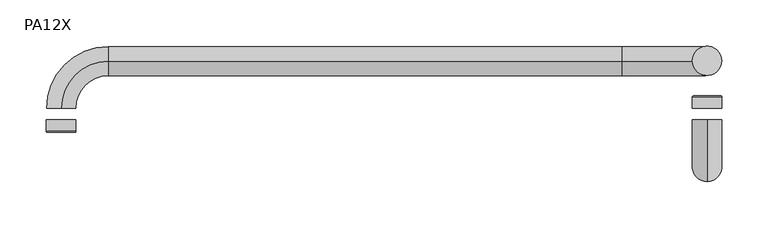
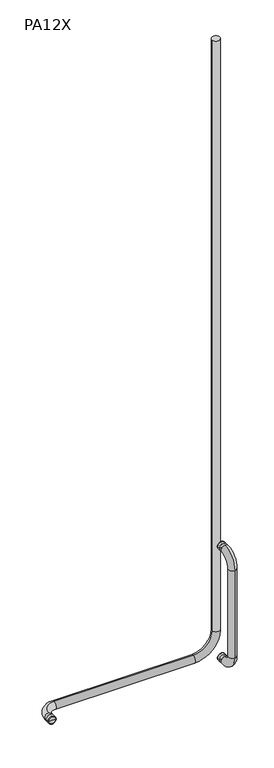
"""IFC4 building model written with IfcOpenShell, lengths in millimetres: proxy geometry, PA12X."""

from ifc_helpers import new_model, si_unit, point, frame, origin, place, context, project, spatial, circle_curve, ellipse_curve, trimmed, source, transform, mapped, element, save
from ifc_brep_helpers import plane_surface, cylinder_surface, revolved_surface, advanced_brep


def pa12x_918a8595(model_context):
    return source(origin(), model_context, "Body", "AdvancedBrep", [
        advanced_brep(
        [(365.125, 6.35, 1536.7), (333.375, 6.35, 1536.7), (333.375, 18.3134, 1536.7), (365.125, 18.3134, 1536.7), (349.25, 6.35, 1536.7), (363.601, 19.8374, 1536.7), (334.899, 19.8374, 1536.7), (349.25, 19.8374, 1536.7)],
        [
            (0, 1, circle_curve(frame((349.25, 6.35, 1536.7), z_axis=(0.0, 1.0, 0.0), x_axis=(-1.0, 0.0, 0.0)), 15.875)),
            (1, 2),
            (2, 3, circle_curve(frame((349.25, 18.3134, 1536.7), z_axis=(0.0, -1.0, 0.0), x_axis=(-1.0, 0.0, 0.0)), 15.875)),
            (3, 0),
            (1, 0, circle_curve(frame((349.25, 6.35, 1536.7), z_axis=(0.0, 1.0, 0.0), x_axis=(-1.0, 0.0, 0.0)), 15.875)),
            (3, 2, circle_curve(frame((349.25, 18.3134, 1536.7), z_axis=(0.0, -1.0, 0.0), x_axis=(-1.0, 0.0, 0.0)), 15.875)),
            (4, 1),
            (0, 4),
            (5, 6, circle_curve(frame((349.25, 19.8374, 1536.7), z_axis=(0.0, 1.0, 0.0), x_axis=(-1.0, 0.0, 0.0)), 14.351)),
            (6, 7),
            (7, 5),
            (6, 5, circle_curve(frame((349.25, 19.8374, 1536.7), z_axis=(0.0, 1.0, 0.0), x_axis=(-1.0, 0.0, 0.0)), 14.351)),
            (2, 6, circle_curve(frame((334.899, 18.3134, 1536.7), z_axis=(0.0, 0.0, -1.0), x_axis=(0.0, 1.0, 0.0)), 1.524)),
            (5, 3, circle_curve(frame((363.601, 18.3134, 1536.7), z_axis=(0.0, 0.0, -1.0), x_axis=(0.0, 1.0, 0.0)), 1.524)),
        ],
        [
            cylinder_surface(frame((349.25, -626.9065276, 1536.7), z_axis=(0.0, -1.0, 0.0), x_axis=(-1.0, 0.0, 0.0)), 15.875),
            plane_surface(frame((349.25, 6.35, 1536.7), z_axis=(0.0, -1.0, 0.0), x_axis=(-1.0, 0.0, 0.0))),
            plane_surface(frame((349.25, 19.8374, 1536.7), z_axis=(0.0, 1.0, 0.0), x_axis=(-1.0, 0.0, 0.0))),
            revolved_surface(trimmed(ellipse_curve(frame((334.899, 18.3134, 1536.7), z_axis=(0.0, 0.0, 1.0), x_axis=(0.0, 1.0, 0.0)), 1.524, 1.524), [point((334.899, 19.8374, 1536.7))], [point((333.375, 18.3134, 1536.7))], True, "CARTESIAN"), (349.25, -626.9065276, 1536.7), (0.0, -1.0, 0.0)),
        ],
        [
            (0, [[1, 2, 3, 4]]),
            (0, [[5, -4, 6, -2]]),
            (1, [[7, -1, 8]]),
            (1, [[-8, -5, -7]]),
            (2, [[9, 10, 11]]),
            (2, [[12, -11, -10]]),
            (3, [[-3, 13, -9, 14]]),
            (3, [[-6, -14, -12, -13]]),
        ],
    ),
        advanced_brep(
        [(365.125, 6.35, 1066.8), (333.375, 6.35, 1066.8), (333.375, 18.3134, 1066.8), (365.125, 18.3134, 1066.8), (349.25, 6.35, 1066.8), (363.601, 19.8374, 1066.8), (334.899, 19.8374, 1066.8), (349.25, 19.8374, 1066.8)],
        [
            (0, 1, circle_curve(frame((349.25, 6.35, 1066.8), z_axis=(0.0, 1.0, 0.0), x_axis=(-1.0, 0.0, 0.0)), 15.875)),
            (1, 2),
            (2, 3, circle_curve(frame((349.25, 18.3134, 1066.8), z_axis=(0.0, -1.0, 0.0), x_axis=(-1.0, 0.0, 0.0)), 15.875)),
            (3, 0),
            (1, 0, circle_curve(frame((349.25, 6.35, 1066.8), z_axis=(0.0, 1.0, 0.0), x_axis=(-1.0, 0.0, 0.0)), 15.875)),
            (3, 2, circle_curve(frame((349.25, 18.3134, 1066.8), z_axis=(0.0, -1.0, 0.0), x_axis=(-1.0, 0.0, 0.0)), 15.875)),
            (4, 1),
            (0, 4),
            (5, 6, circle_curve(frame((349.25, 19.8374, 1066.8), z_axis=(0.0, 1.0, 0.0), x_axis=(-1.0, 0.0, 0.0)), 14.351)),
            (6, 7),
            (7, 5),
            (6, 5, circle_curve(frame((349.25, 19.8374, 1066.8), z_axis=(0.0, 1.0, 0.0), x_axis=(-1.0, 0.0, 0.0)), 14.351)),
            (2, 6, circle_curve(frame((334.899, 18.3134, 1066.8), z_axis=(0.0, 0.0, -1.0), x_axis=(-1.0, 0.0, 0.0)), 1.524)),
            (5, 3, circle_curve(frame((363.601, 18.3134, 1066.8), z_axis=(0.0, 0.0, -1.0), x_axis=(1.0, 0.0, 0.0)), 1.524)),
        ],
        [
            cylinder_surface(frame((349.25, -626.9065276, 1066.8), z_axis=(0.0, -1.0, 0.0), x_axis=(-1.0, 0.0, 0.0)), 15.875),
            plane_surface(frame((349.25, 6.35, 1066.8), z_axis=(0.0, -1.0, 0.0), x_axis=(-1.0, 0.0, 0.0))),
            plane_surface(frame((349.25, 19.8374, 1066.8), z_axis=(0.0, 1.0, 0.0), x_axis=(-1.0, 0.0, 0.0))),
            revolved_surface(trimmed(ellipse_curve(frame((334.899, 18.3134, 1066.8), z_axis=(0.0, 0.0, 1.0), x_axis=(-1.0, 0.0, 0.0)), 1.524, 1.524), [point((334.899, 19.8374, 1066.8))], [point((333.375, 18.3134, 1066.8))], True, "CARTESIAN"), (349.25, -626.9065276, 1066.8), (0.0, -1.0, 0.0)),
        ],
        [
            (0, [[1, 2, 3, 4]]),
            (0, [[5, -4, 6, -2]]),
            (1, [[7, -1, 8]]),
            (1, [[-8, -5, -7]]),
            (2, [[9, 10, 11]]),
            (2, [[12, -11, -10]]),
            (3, [[-3, 13, -9, 14]]),
            (3, [[-6, -14, -12, -13]]),
        ],
    ),
        advanced_brep(
        [(-334.6894925, -19.8374, 1066.8), (-363.8105075, -19.8374, 1066.8), (-365.3345075, -18.3134, 1066.8), (-333.1654925, -18.3134, 1066.8), (-349.25, -19.8374, 1066.8), (-333.1654925, -6.35, 1066.8), (-365.3345075, -6.35, 1066.8), (-349.25, -6.35, 1066.8)],
        [
            (0, 1, circle_curve(frame((-349.25, -19.8374, 1066.8), z_axis=(0.0, 1.0, 0.0), x_axis=(-1.0, 0.0, 0.0)), 14.5605075)),
            (1, 2, circle_curve(frame((-363.8105075, -18.3134, 1066.8), z_axis=(0.0, 0.0, -1.0), x_axis=(-1.0, 0.0, 0.0)), 1.524)),
            (2, 3, circle_curve(frame((-349.25, -18.3134, 1066.8), z_axis=(0.0, -1.0, 0.0), x_axis=(-1.0, 0.0, 0.0)), 16.0845075)),
            (3, 0, circle_curve(frame((-334.6894925, -18.3134, 1066.8), z_axis=(0.0, 0.0, -1.0), x_axis=(1.0, 0.0, 0.0)), 1.524)),
            (1, 0, circle_curve(frame((-349.25, -19.8374, 1066.8), z_axis=(0.0, 1.0, 0.0), x_axis=(-1.0, 0.0, 0.0)), 14.5605075)),
            (3, 2, circle_curve(frame((-349.25, -18.3134, 1066.8), z_axis=(0.0, -1.0, 0.0), x_axis=(-1.0, 0.0, 0.0)), 16.0845075)),
            (4, 1),
            (0, 4),
            (5, 6, circle_curve(frame((-349.25, -6.35, 1066.8), z_axis=(0.0, 1.0, 0.0), x_axis=(-1.0, 0.0, 0.0)), 16.0845075)),
            (6, 7),
            (7, 5),
            (6, 5, circle_curve(frame((-349.25, -6.35, 1066.8), z_axis=(0.0, 1.0, 0.0), x_axis=(-1.0, 0.0, 0.0)), 16.0845075)),
            (2, 6),
            (5, 3),
        ],
        [
            revolved_surface(trimmed(ellipse_curve(frame((-363.8105075, -18.3134, 1066.8), z_axis=(0.0, 0.0, 1.0), x_axis=(-1.0, 0.0, 0.0)), 1.524, 1.524), [point((-365.3345075, -18.3134, 1066.8))], [point((-363.8105075, -19.8374, 1066.8))], True, "CARTESIAN"), (-349.25, 617.3332074, 1066.8), (0.0, -1.0, 0.0)),
            plane_surface(frame((-349.25, -19.8374, 1066.8), z_axis=(0.0, -1.0, 0.0), x_axis=(-1.0, 0.0, 0.0))),
            plane_surface(frame((-349.25, -6.35, 1066.8), z_axis=(0.0, 1.0, 0.0), x_axis=(-1.0, 0.0, 0.0))),
            cylinder_surface(frame((-349.25, 617.3332074, 1066.8), z_axis=(0.0, -1.0, 0.0), x_axis=(-1.0, 0.0, 0.0)), 16.0845075),
        ],
        [
            (0, [[1, 2, 3, 4]]),
            (0, [[5, -4, 6, -2]]),
            (1, [[7, -1, 8]]),
            (1, [[-8, -5, -7]]),
            (2, [[9, 10, 11]]),
            (2, [[12, -11, -10]]),
            (3, [[-3, 13, -9, 14]]),
            (3, [[-6, -14, -12, -13]]),
        ],
    ),
        advanced_brep(
        [(349.25, -6.35, 1520.825), (349.25, -6.35, 1552.575), (349.25, -73.025, 1485.9), (349.25, -41.275, 1485.9), (349.25, -41.275, 1117.6), (349.25, -73.025, 1117.6), (349.25, -6.35, 1082.675), (349.25, -6.35, 1050.925)],
        [
            (0, 1, circle_curve(frame((349.25, -6.35, 1536.7), z_axis=(0.0, 1.0, 0.0), x_axis=(0.0, 0.0, 1.0)), 15.875)),
            (1, 0, circle_curve(frame((349.25, -6.35, 1536.7), z_axis=(0.0, 1.0, 0.0), x_axis=(0.0, 0.0, 1.0)), 15.875)),
            (2, 1, circle_curve(frame((349.25, -6.35, 1485.9), z_axis=(-1.0, 0.0, 0.0), x_axis=(0.0, 0.0, 1.0)), 66.675)),
            (0, 3, circle_curve(frame((349.25, -6.35, 1485.9), z_axis=(1.0, 0.0, 0.0), x_axis=(0.0, 0.0, 1.0)), 34.925)),
            (3, 2, circle_curve(frame((349.25, -57.15, 1485.9), z_axis=(0.0, 0.0, 1.0), x_axis=(0.0, -1.0, 0.0)), 15.875)),
            (2, 3, circle_curve(frame((349.25, -57.15, 1485.9), z_axis=(0.0, 0.0, 1.0), x_axis=(0.0, -1.0, 0.0)), 15.875)),
            (3, 4),
            (4, 5, circle_curve(frame((349.25, -57.15, 1117.6), z_axis=(0.0, 0.0, 1.0), x_axis=(0.0, -1.0, 0.0)), 15.875)),
            (5, 2),
            (5, 4, circle_curve(frame((349.25, -57.15, 1117.6), z_axis=(0.0, 0.0, 1.0), x_axis=(0.0, -1.0, 0.0)), 15.875)),
            (6, 7, circle_curve(frame((349.25, -6.35, 1066.8), z_axis=(0.0, 1.0, 0.0), x_axis=(0.0, 0.0, -1.0)), 15.875)),
            (7, 6, circle_curve(frame((349.25, -6.35, 1066.8), z_axis=(0.0, 1.0, 0.0), x_axis=(0.0, 0.0, -1.0)), 15.875)),
            (7, 5, circle_curve(frame((349.25, -6.35, 1117.6), z_axis=(-1.0, 0.0, 0.0), x_axis=(0.0, -1.0, 0.0)), 66.675)),
            (4, 6, circle_curve(frame((349.25, -6.35, 1117.6), z_axis=(1.0, 0.0, 0.0), x_axis=(0.0, -1.0, 0.0)), 34.925)),
        ],
        [
            plane_surface(frame((349.25, -6.35, 1536.7), z_axis=(0.0, 1.0, 0.0), x_axis=(-1.0, 0.0, 0.0))),
            revolved_surface(trimmed(ellipse_curve(frame((349.25, -6.35, 1536.7), z_axis=(0.0, 1.0, 0.0), x_axis=(0.0, 0.0, 1.0)), 15.875, 15.875), [point((349.25, -6.35, 1520.825))], [point((349.25, -6.35, 1552.575))], True, "CARTESIAN"), (349.25, -6.35, 1485.9), (1.0, 0.0, 0.0)),
            revolved_surface(trimmed(ellipse_curve(frame((349.25, -6.35, 1536.7), z_axis=(0.0, 1.0, 0.0), x_axis=(0.0, 0.0, 1.0)), 15.875, 15.875), [point((349.25, -6.35, 1552.575))], [point((349.25, -6.35, 1520.825))], True, "CARTESIAN"), (349.25, -6.35, 1485.9), (1.0, 0.0, 0.0)),
            cylinder_surface(frame((349.25, -57.15, 1485.9), z_axis=(0.0, 0.0, 1.0), x_axis=(0.0, -1.0, 0.0)), 15.875),
            plane_surface(frame((349.25, -6.35, 1066.8), z_axis=(0.0, 1.0, 0.0), x_axis=(-1.0, 0.0, 0.0))),
            revolved_surface(trimmed(ellipse_curve(frame((349.25, -57.15, 1117.6), z_axis=(0.0, 0.0, 1.0), x_axis=(0.0, -1.0, 0.0)), 15.875, 15.875), [point((349.25, -41.275, 1117.6))], [point((349.25, -73.025, 1117.6))], True, "CARTESIAN"), (349.25, -6.35, 1117.6), (1.0, 0.0, 0.0)),
            revolved_surface(trimmed(ellipse_curve(frame((349.25, -57.15, 1117.6), z_axis=(0.0, 0.0, 1.0), x_axis=(0.0, -1.0, 0.0)), 15.875, 15.875), [point((349.25, -73.025, 1117.6))], [point((349.25, -41.275, 1117.6))], True, "CARTESIAN"), (349.25, -6.35, 1117.6), (1.0, 0.0, 0.0)),
        ],
        [
            (0, [[1, 2]]),
            (1, [[3, -1, 4, 5]]),
            (2, [[-4, -2, -3, 6]]),
            (3, [[-5, 7, 8, 9]]),
            (3, [[-6, -9, 10, -7]]),
            (4, [[11, 12]]),
            (5, [[13, -8, 14, -12]]),
            (6, [[-14, -10, -13, -11]]),
        ],
    ),
        advanced_brep(
        [(-349.25, 6.35, 1082.675), (-349.25, 6.35, 1050.925), (333.375, 57.15, 3651.25), (365.125, 57.15, 3651.25), (-298.45, 57.15, 1050.925), (-298.45, 57.15, 1082.675), (257.175, 57.15, 1082.675), (257.175, 57.15, 1050.925), (365.125, 57.15, 1158.875), (333.375, 57.15, 1158.875)],
        [
            (0, 1, circle_curve(frame((-349.25, 6.35, 1066.8), z_axis=(0.0, -1.0, 0.0), x_axis=(0.0, 0.0, -1.0)), 15.875)),
            (1, 0, circle_curve(frame((-349.25, 6.35, 1066.8), z_axis=(0.0, -1.0, 0.0), x_axis=(0.0, 0.0, -1.0)), 15.875)),
            (2, 3, circle_curve(frame((349.25, 57.15, 3651.25), z_axis=(0.0, 0.0, 1.0), x_axis=(1.0, 0.0, 0.0)), 15.875)),
            (3, 2, circle_curve(frame((349.25, 57.15, 3651.25), z_axis=(0.0, 0.0, 1.0), x_axis=(1.0, 0.0, 0.0)), 15.875)),
            (4, 1, circle_curve(frame((-298.45, 6.35, 1050.925), z_axis=(0.0, 0.0, 1.0), x_axis=(-1.0, 0.0, 0.0)), 50.8)),
            (0, 5, circle_curve(frame((-298.45, 6.35, 1082.675), z_axis=(0.0, 0.0, -1.0), x_axis=(-1.0, 0.0, 0.0)), 50.8)),
            (5, 4, circle_curve(frame((-298.45, 57.15, 1066.8), z_axis=(-1.0, 0.0, 0.0), x_axis=(0.0, 0.0, -1.0)), 15.875)),
            (4, 5, circle_curve(frame((-298.45, 57.15, 1066.8), z_axis=(-1.0, 0.0, 0.0), x_axis=(0.0, 0.0, -1.0)), 15.875)),
            (5, 6),
            (6, 7, circle_curve(frame((257.175, 57.15, 1066.8), z_axis=(-1.0, 0.0, 0.0), x_axis=(0.0, 0.0, -1.0)), 15.875)),
            (7, 4),
            (7, 6, circle_curve(frame((257.175, 57.15, 1066.8), z_axis=(-1.0, 0.0, 0.0), x_axis=(0.0, 0.0, -1.0)), 15.875)),
            (8, 7, circle_curve(frame((257.175, 57.15, 1158.875), z_axis=(0.0, 1.0, 0.0), x_axis=(0.0, 0.0, -1.0)), 107.95)),
            (6, 9, circle_curve(frame((257.175, 57.15, 1158.875), z_axis=(0.0, -1.0, 0.0), x_axis=(0.0, 0.0, -1.0)), 76.2)),
            (9, 8, circle_curve(frame((349.25, 57.15, 1158.875), z_axis=(0.0, 0.0, -1.0), x_axis=(1.0, 0.0, 0.0)), 15.875)),
            (8, 9, circle_curve(frame((349.25, 57.15, 1158.875), z_axis=(0.0, 0.0, -1.0), x_axis=(1.0, 0.0, 0.0)), 15.875)),
            (9, 2),
            (3, 8),
        ],
        [
            plane_surface(frame((-298.45, 6.35, 1066.8), z_axis=(0.0, -1.0, 0.0), x_axis=(-1.0, 0.0, 0.0))),
            plane_surface(frame((349.25, 41.275, 3651.25), z_axis=(0.0, 0.0, 1.0), x_axis=(1.0, 0.0, 0.0))),
            revolved_surface(trimmed(ellipse_curve(frame((-349.25, 6.35, 1066.8), z_axis=(0.0, -1.0, 0.0), x_axis=(0.0, 0.0, -1.0)), 15.875, 15.875), [point((-349.25, 6.35, 1082.675))], [point((-349.25, 6.35, 1050.925))], True, "CARTESIAN"), (-298.45, 6.35, 1066.8), (0.0, 0.0, -1.0)),
            revolved_surface(trimmed(ellipse_curve(frame((-349.25, 6.35, 1066.8), z_axis=(0.0, -1.0, 0.0), x_axis=(0.0, 0.0, -1.0)), 15.875, 15.875), [point((-349.25, 6.35, 1050.925))], [point((-349.25, 6.35, 1082.675))], True, "CARTESIAN"), (-298.45, 6.35, 1066.8), (0.0, 0.0, -1.0)),
            cylinder_surface(frame((-298.45, 57.15, 1066.8), z_axis=(-1.0, 0.0, 0.0), x_axis=(0.0, 0.0, -1.0)), 15.875),
            revolved_surface(trimmed(ellipse_curve(frame((257.175, 57.15, 1066.8), z_axis=(-1.0, 0.0, 0.0), x_axis=(0.0, 0.0, -1.0)), 15.875, 15.875), [point((257.175, 57.15, 1082.675))], [point((257.175, 57.15, 1050.925))], True, "CARTESIAN"), (257.175, 57.15, 1158.875), (0.0, -1.0, 0.0)),
            revolved_surface(trimmed(ellipse_curve(frame((257.175, 57.15, 1066.8), z_axis=(-1.0, 0.0, 0.0), x_axis=(0.0, 0.0, -1.0)), 15.875, 15.875), [point((257.175, 57.15, 1050.925))], [point((257.175, 57.15, 1082.675))], True, "CARTESIAN"), (257.175, 57.15, 1158.875), (0.0, -1.0, 0.0)),
            cylinder_surface(frame((349.25, 57.15, 1158.875), z_axis=(0.0, 0.0, -1.0), x_axis=(1.0, 0.0, 0.0)), 15.875),
        ],
        [
            (0, [[1, 2]]),
            (1, [[3, 4]]),
            (2, [[5, -1, 6, 7]]),
            (3, [[-6, -2, -5, 8]]),
            (4, [[-7, 9, 10, 11]]),
            (4, [[-8, -11, 12, -9]]),
            (5, [[13, -10, 14, 15]]),
            (6, [[-14, -12, -13, 16]]),
            (7, [[-15, 17, -4, 18]]),
            (7, [[-16, -18, -3, -17]]),
        ],
    ),
    ])


if __name__ == "__main__":
    model = new_model("IFC4")
    model_context = context("Model", 3, world=origin())
    ifc_project = project(units=[si_unit("LENGTHUNIT", "METRE", prefix="MILLI")], contexts=[model_context])
    site = spatial("IfcSite", under=ifc_project)
    building = spatial("IfcBuilding", under=site)
    placement = place(None, origin())
    pa12x_shape = pa12x_918a8595(model_context)
    element("IfcBuildingElementProxy", 1, Name="PA12X", ObjectType="PA12X", at=placement, inside=building, context=model_context, shape_type="MappedRepresentation", body=[
        mapped(pa12x_shape, transform((0.0, 0.0, 0.0), x_axis=(1.0, 0.0, 0.0), y_axis=(0.0, 1.0, 0.0), z_axis=(0.0, 0.0, 1.0))),
    ])
    save(model, "model.ifc")
